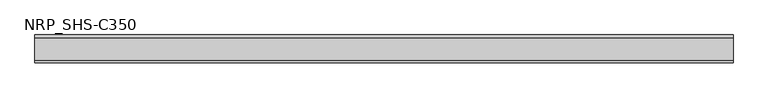
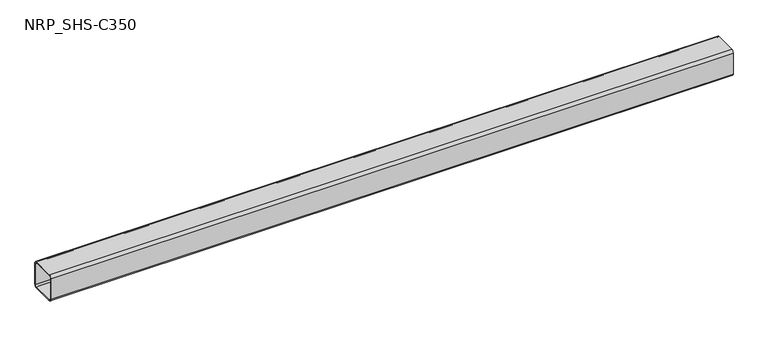
"""IFC4 building model written with IfcOpenShell, lengths in millimetres: member geometry, NRP_SHS-C350."""

from ifc_helpers import new_model, si_unit, point, frame, frame_2d, origin, place, context, project, spatial, polyline, circle_curve, trimmed, segment, composite_curve, outline, extrude, source, transform, mapped, element, save


def nrp_shs_c350_0c506add(model_context):
    return source(origin(), model_context, "Body", "SweptSolid", [
        extrude(outline(composite_curve([segment(polyline([(44.5, 35.75), (44.5, -35.75)]), True, "CONTINUOUS"), segment(trimmed(circle_curve(frame_2d((35.75, -35.75)), 8.75), [point((44.5, -35.75))], [point((35.75, -44.5))], False, "CARTESIAN"), True, "CONTINUOUS"), segment(polyline([(35.75, -44.5), (-35.75, -44.5)]), True, "CONTINUOUS"), segment(trimmed(circle_curve(frame_2d((-35.75, -35.75)), 8.75), [point((-35.75, -44.5))], [point((-44.5, -35.75))], False, "CARTESIAN"), True, "CONTINUOUS"), segment(polyline([(-44.5, -35.75), (-44.5, 35.75)]), True, "CONTINUOUS"), segment(trimmed(circle_curve(frame_2d((-35.75, 35.75)), 8.75), [point((-44.5, 35.75))], [point((-35.75, 44.5))], False, "CARTESIAN"), True, "CONTINUOUS"), segment(polyline([(-35.75, 44.5), (35.75, 44.5)]), True, "CONTINUOUS"), segment(trimmed(circle_curve(frame_2d((35.75, 35.75)), 8.75), [point((35.75, 44.5))], [point((44.5, 35.75))], False, "CARTESIAN"), True, "CONTINUOUS")], self_intersect=False), holes=[composite_curve([segment(trimmed(circle_curve(frame_2d((-35.75, 35.75)), 5.25), [point((-35.75, 41.0))], [point((-41.0, 35.75))], True, "CARTESIAN"), True, "CONTINUOUS"), segment(polyline([(-41.0, 35.75), (-41.0, -35.75)]), True, "CONTINUOUS"), segment(trimmed(circle_curve(frame_2d((-35.75, -35.75)), 5.25), [point((-41.0, -35.75))], [point((-35.75, -41.0))], True, "CARTESIAN"), True, "CONTINUOUS"), segment(polyline([(-35.75, -41.0), (35.75, -41.0)]), True, "CONTINUOUS"), segment(trimmed(circle_curve(frame_2d((35.75, -35.75)), 5.25), [point((35.75, -41.0))], [point((41.0, -35.75))], True, "CARTESIAN"), True, "CONTINUOUS"), segment(polyline([(41.0, -35.75), (41.0, 35.75)]), True, "CONTINUOUS"), segment(trimmed(circle_curve(frame_2d((35.75, 35.75)), 5.25), [point((41.0, 35.75))], [point((35.75, 41.0))], True, "CARTESIAN"), True, "CONTINUOUS"), segment(polyline([(35.75, 41.0), (-35.75, 41.0)]), True, "CONTINUOUS")], self_intersect=False)]), frame((-1078.5, 0.0, 0.0), z_axis=(1.0, 0.0, 0.0), x_axis=(0.0, 1.0, 0.0)), (0.0, 0.0, 1.0), 2214.0),
    ])


if __name__ == "__main__":
    model = new_model("IFC4")
    model_context = context("Model", 3, world=origin())
    ifc_project = project(units=[si_unit("LENGTHUNIT", "METRE", prefix="MILLI")], contexts=[model_context])
    site = spatial("IfcSite", under=ifc_project)
    building = spatial("IfcBuilding", under=site)
    placement = place(None, origin())
    nrp_shs_c350_shape = nrp_shs_c350_0c506add(model_context)
    element("IfcMember", 1, ObjectType="NRP_SHS-C350", at=placement, inside=building, context=model_context, shape_type="MappedRepresentation", body=[
        mapped(nrp_shs_c350_shape, transform((0.0, 0.0, 0.0), x_axis=(1.0, 0.0, 0.0), y_axis=(0.0, 1.0, 0.0), z_axis=(0.0, 0.0, 1.0))),
    ])
    save(model, "model.ifc")
